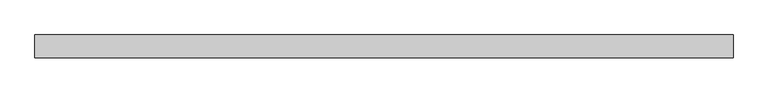
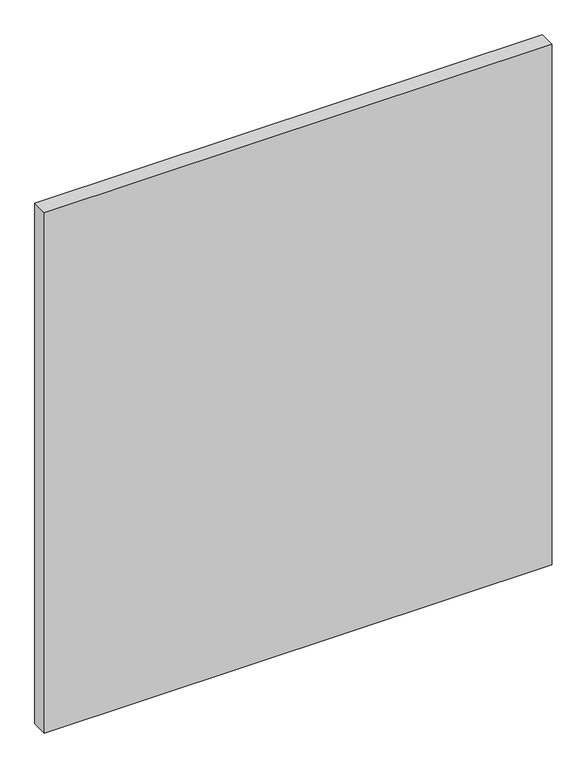
"""IFC4 building model written with IfcOpenShell, lengths in millimetres: plate geometry."""

from ifc_helpers import new_model, si_unit, origin, origin_with_axes, place, context, project, spatial, polyline, outline, extrude, source, transform, mapped, element, save


def plate_07e648f8(model_context):
    return source(origin(), model_context, "Body", "SweptSolid", [
        extrude(outline(polyline([(540.0625, -17.5), (-540.0625, -17.5), (-540.0625, 17.5), (540.0625, 17.5), (540.0625, -17.5)])), origin_with_axes(), (0.0, 0.0, 1.0), 1170.0),
    ])


if __name__ == "__main__":
    model = new_model("IFC4")
    model_context = context("Model", 3, world=origin())
    ifc_project = project(units=[si_unit("LENGTHUNIT", "METRE", prefix="MILLI")], contexts=[model_context])
    site = spatial("IfcSite", under=ifc_project)
    building = spatial("IfcBuilding", under=site)
    placement = place(None, origin())
    plate_shape = plate_07e648f8(model_context)
    element("IfcPlate", 1, at=placement, inside=building, context=model_context, shape_type="MappedRepresentation", body=[
        mapped(plate_shape, transform((0.0, 0.0, 0.0), x_axis=(1.0, 0.0, 0.0), y_axis=(0.0, 1.0, 0.0), z_axis=(0.0, 0.0, 1.0))),
    ])
    save(model, "model.ifc")
